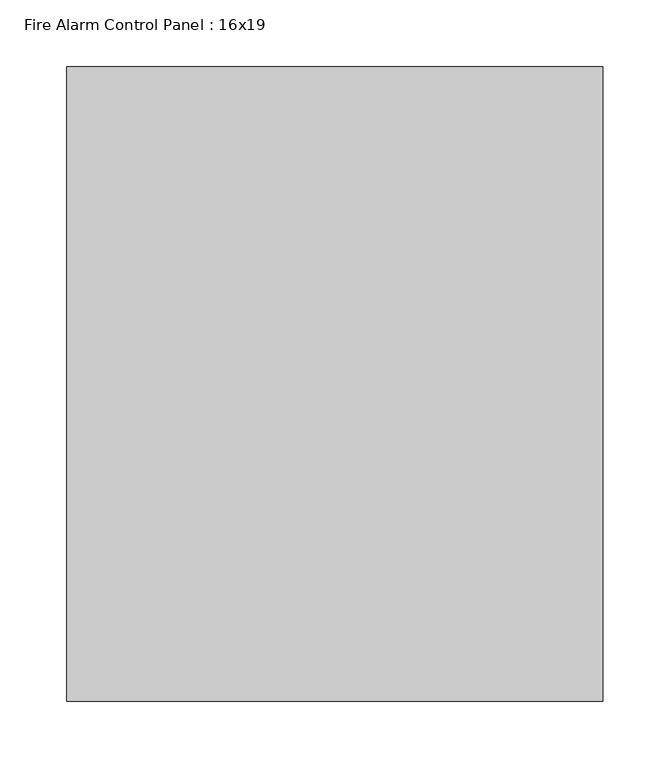
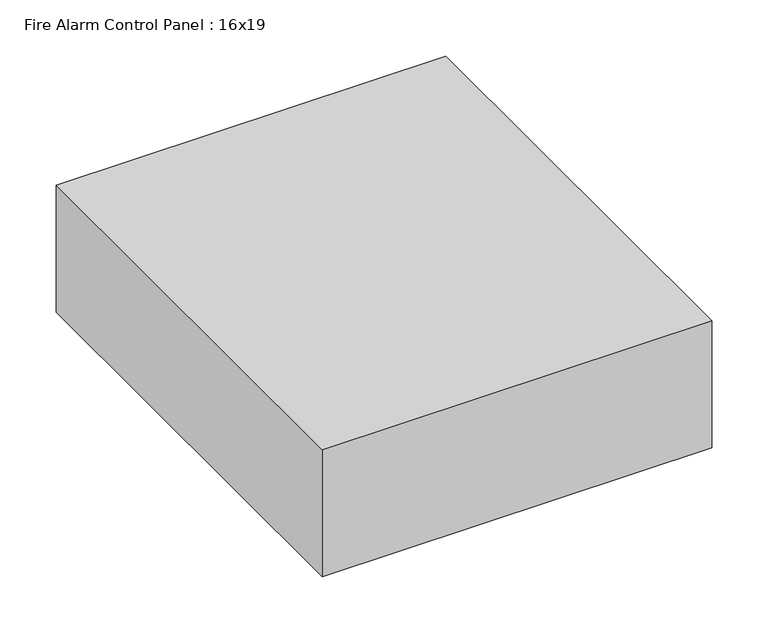
"""IFC4 building model written with IfcOpenShell, lengths in millimetres: proxy geometry, Fire Alarm Control Panel : 16x19."""

from ifc_helpers import new_model, si_unit, frame, origin, place, context, project, spatial, polyline, outline, extrude, source, transform, mapped, element, save


def fire_alarm_control_panel_16x19_7f16a0a7(model_context):
    return source(origin(), model_context, "Body", "SweptSolid", [
        extrude(outline(polyline([(200.421875, 0.0), (200.421875, -474.265625), (-200.421875, -474.265625), (-200.421875, 0.0), (200.421875, 0.0)])), frame((0.0, 0.0, -111.0257813), z_axis=(0.0, 0.0, 1.0), x_axis=(1.0, 0.0, 0.0)), (0.0, 0.0, 1.0), 138.4101562),
    ])


if __name__ == "__main__":
    model = new_model("IFC4")
    model_context = context("Model", 3, world=origin())
    ifc_project = project(units=[si_unit("LENGTHUNIT", "METRE", prefix="MILLI")], contexts=[model_context])
    site = spatial("IfcSite", under=ifc_project)
    building = spatial("IfcBuilding", under=site)
    placement = place(None, origin())
    fire_alarm_control_panel_16x19_shape = fire_alarm_control_panel_16x19_7f16a0a7(model_context)
    element("IfcBuildingElementProxy", 1, Name="Fire Alarm Control Panel : 16x19", ObjectType="Fire Alarm Control Panel : 16x19", at=placement, inside=building, context=model_context, shape_type="MappedRepresentation", body=[
        mapped(fire_alarm_control_panel_16x19_shape, transform((0.0, 0.0, 0.0), x_axis=(1.0, 0.0, 0.0), y_axis=(0.0, 1.0, 0.0), z_axis=(0.0, 0.0, 1.0))),
    ])
    save(model, "model.ifc")
